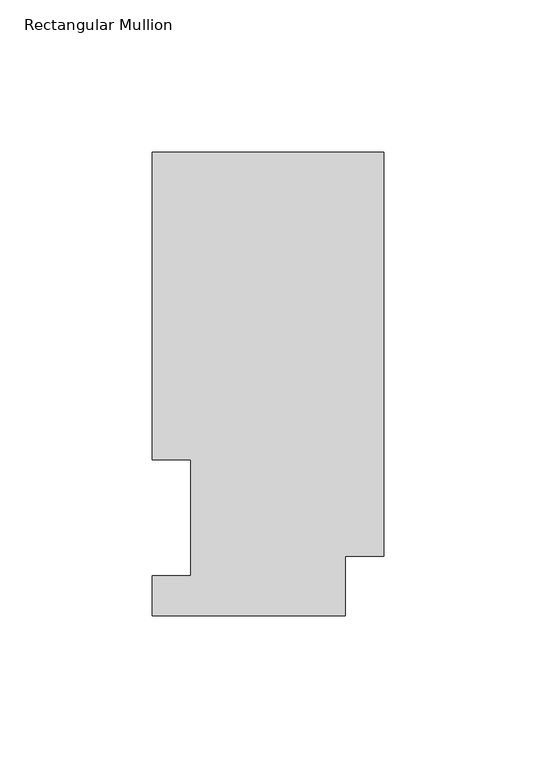
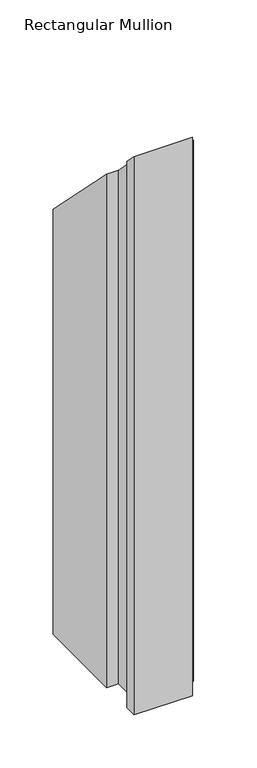
"""IFC4 building model written with IfcOpenShell, lengths in millimetres: member geometry, Rectangular Mullion."""

from ifc_helpers import new_model, si_unit, origin, place, context, project, spatial, faceted_brep, source, transform, mapped, element, save


def rectangular_mullion_a30779e5(model_context):
    return source(origin(), model_context, "Body", "Brep", [
        faceted_brep([(-76.2, 152.4896938, -641.3500003), (0.0, 152.4896938, -641.3500003), (0.0, 19.5460937, -641.3500003), (-12.7, 19.5460937, -641.3500003), (-12.7, 0.0134938, -641.3500003), (-76.2, 0.0134938, -641.3500003), (-76.2, 13.1960938, -641.3500003), (-63.5127, 13.1960938, -641.3500003), (-63.5127, 51.2960938, -641.3500003), (-76.2, 51.2960938, -641.3500003), (-76.2, 51.2960938, -51.2960938), (-76.2, 152.4896938, -152.4896938), (-63.5127, 51.2960938, -51.2960938), (-63.5127, 13.1960938, -13.1960938), (-76.2, 13.1960938, -13.1960938), (-76.2, 0.0134938, -0.0134938), (-12.7, 0.0134938, -0.0134938), (-12.7, 19.5460937, -19.5460937), (0.0, 19.5460937, -19.5460937), (0.0, 152.4896938, -152.4896938)], [[[0, 1, 2, 3, 4, 5, 6, 7, 8, 9]], [[10, 11, 0, 9]], [[12, 10, 9, 8]], [[13, 12, 8, 7]], [[14, 13, 7, 6]], [[15, 14, 6, 5]], [[16, 15, 5, 4]], [[17, 16, 4, 3]], [[18, 17, 3, 2]], [[19, 18, 2, 1]], [[11, 19, 1, 0]], [[11, 10, 12, 13, 14, 15, 16, 17, 18, 19]]]),
    ])


if __name__ == "__main__":
    model = new_model("IFC4")
    model_context = context("Model", 3, world=origin())
    ifc_project = project(units=[si_unit("LENGTHUNIT", "METRE", prefix="MILLI")], contexts=[model_context])
    site = spatial("IfcSite", under=ifc_project)
    building = spatial("IfcBuilding", under=site)
    placement = place(None, origin())
    rectangular_mullion_shape = rectangular_mullion_a30779e5(model_context)
    element("IfcMember", 1, ObjectType="Rectangular Mullion", at=placement, inside=building, context=model_context, shape_type="MappedRepresentation", body=[
        mapped(rectangular_mullion_shape, transform((0.0, 0.0, 0.0), x_axis=(1.0, 0.0, 0.0), y_axis=(0.0, 1.0, 0.0), z_axis=(0.0, 0.0, 1.0))),
    ])
    save(model, "model.ifc")
